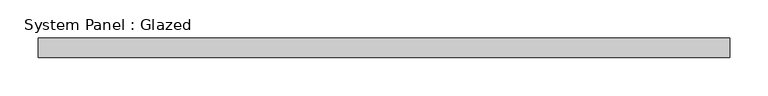
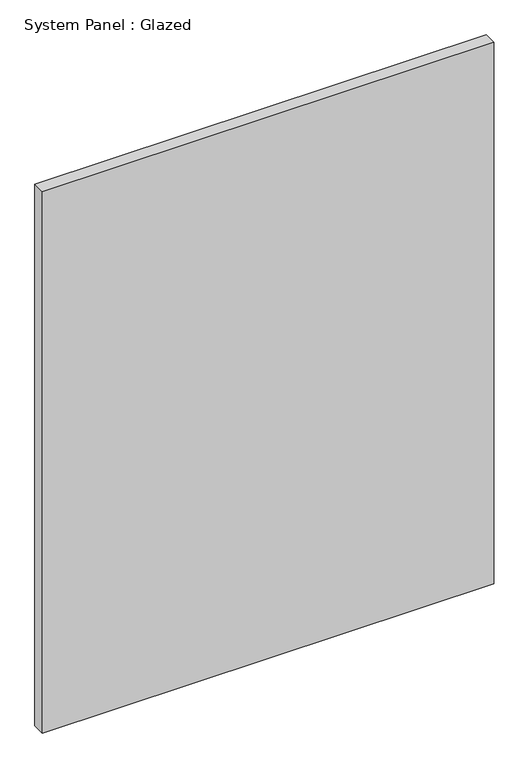
"""IFC4 building model written with IfcOpenShell, lengths in millimetres: plate geometry, System Panel : Glazed."""

from ifc_helpers import new_model, si_unit, origin, origin_with_axes, place, context, project, spatial, polyline, outline, extrude, source, transform, mapped, element, save


def system_panel_glazed_3fbe7ca1(model_context):
    return source(origin(), model_context, "Body", "SweptSolid", [
        extrude(outline(polyline([(450.8501903, 25.4), (-450.8501903, 25.4), (-450.8501903, 50.8), (450.8501903, 50.8), (450.8501903, 25.4)])), origin_with_axes(), (0.0, 0.0, 1.0), 1143.0),
    ])


if __name__ == "__main__":
    model = new_model("IFC4")
    model_context = context("Model", 3, world=origin())
    ifc_project = project(units=[si_unit("LENGTHUNIT", "METRE", prefix="MILLI")], contexts=[model_context])
    site = spatial("IfcSite", under=ifc_project)
    building = spatial("IfcBuilding", under=site)
    placement = place(None, origin())
    system_panel_glazed_shape = system_panel_glazed_3fbe7ca1(model_context)
    element("IfcPlate", 1, ObjectType="System Panel : Glazed", at=placement, inside=building, context=model_context, shape_type="MappedRepresentation", body=[
        mapped(system_panel_glazed_shape, transform((0.0, 0.0, 0.0), x_axis=(1.0, 0.0, 0.0), y_axis=(0.0, 1.0, 0.0), z_axis=(0.0, 0.0, 1.0))),
    ])
    save(model, "model.ifc")
